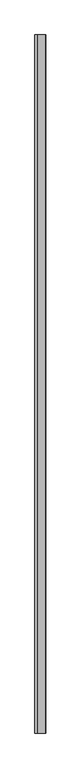
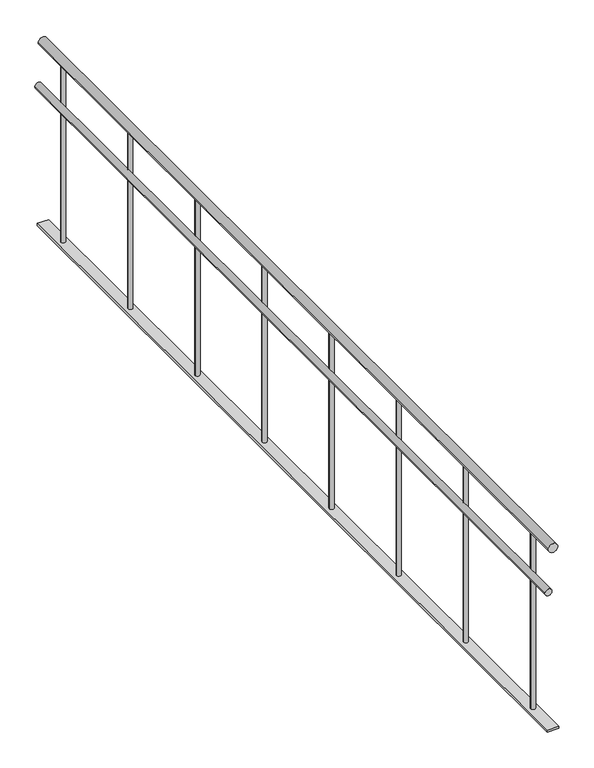
"""IFC4 building model written with IfcOpenShell, lengths in millimetres: railing geometry."""

from ifc_helpers import new_model, si_unit, point, frame, frame_2d, origin, place, context, project, spatial, polyline, circle_curve, trimmed, segment, composite_curve, outline, extrude, source, transform, mapped, element, save


def railing_75fd861b(model_context):
    return source(origin(), model_context, "Body", "SweptSolid", [
        extrude(outline(composite_curve([segment(trimmed(circle_curve(frame_2d((880.0, 28965.0112841)), 20.0), [point((880.0, 28985.0112841))], [point((880.0, 28945.0112841))], False, "CARTESIAN"), True, "CONTINUOUS"), segment(trimmed(circle_curve(frame_2d((880.0, 28965.0112841)), 20.0), [point((880.0, 28945.0112841))], [point((880.0, 28985.0112841))], False, "CARTESIAN"), True, "CONTINUOUS")], self_intersect=False)), frame((0.0, 893.1079487, 0.0), z_axis=(0.0, 1.0, 0.0), x_axis=(0.0, 0.0, 1.0)), (0.0, 0.0, 1.0), 3800.0),
        extrude(outline(composite_curve([segment(trimmed(circle_curve(frame_2d((685.0, 28945.0112841)), 15.0), [point((685.0, 28960.0112841))], [point((685.0, 28930.0112841))], False, "CARTESIAN"), True, "CONTINUOUS"), segment(trimmed(circle_curve(frame_2d((685.0, 28945.0112841)), 15.0), [point((685.0, 28930.0112841))], [point((685.0, 28960.0112841))], False, "CARTESIAN"), True, "CONTINUOUS")], self_intersect=False)), frame((0.0, 893.1079487, 0.0), z_axis=(0.0, 1.0, 0.0), x_axis=(0.0, 0.0, 1.0)), (0.0, 0.0, 1.0), 3800.0),
        extrude(outline(polyline([(28940.0112841, 4693.1079487), (28990.0112841, 4693.1079487), (28990.0112841, 893.1079487), (28940.0112841, 893.1079487), (28940.0112841, 4693.1079487)])), frame((0.0, 0.0, 50.0), z_axis=(0.0, 0.0, 1.0), x_axis=(1.0, 0.0, 0.0)), (0.0, 0.0, 1.0), 10.0),
        extrude(outline(composite_curve([segment(trimmed(circle_curve(frame_2d((28965.0112841, 1043.1079487)), 10.0), [point((28975.0112841, 1043.1079487))], [point((28955.0112841, 1043.1079487))], False, "CARTESIAN"), True, "CONTINUOUS"), segment(trimmed(circle_curve(frame_2d((28965.0112841, 1043.1079487)), 10.0), [point((28955.0112841, 1043.1079487))], [point((28975.0112841, 1043.1079487))], False, "CARTESIAN"), True, "CONTINUOUS")], self_intersect=False)), frame((0.0, 0.0, 60.0), z_axis=(0.0, 0.0, 1.0), x_axis=(1.0, 0.0, 0.0)), (0.0, 0.0, 1.0), 800.0),
        extrude(outline(composite_curve([segment(trimmed(circle_curve(frame_2d((28965.0112841, 1543.1079487)), 10.0), [point((28975.0112841, 1543.1079487))], [point((28955.0112841, 1543.1079487))], False, "CARTESIAN"), True, "CONTINUOUS"), segment(trimmed(circle_curve(frame_2d((28965.0112841, 1543.1079487)), 10.0), [point((28955.0112841, 1543.1079487))], [point((28975.0112841, 1543.1079487))], False, "CARTESIAN"), True, "CONTINUOUS")], self_intersect=False)), frame((0.0, 0.0, 60.0), z_axis=(0.0, 0.0, 1.0), x_axis=(1.0, 0.0, 0.0)), (0.0, 0.0, 1.0), 800.0),
        extrude(outline(composite_curve([segment(trimmed(circle_curve(frame_2d((28965.0112841, 2043.1079487)), 10.0), [point((28975.0112841, 2043.1079487))], [point((28955.0112841, 2043.1079487))], False, "CARTESIAN"), True, "CONTINUOUS"), segment(trimmed(circle_curve(frame_2d((28965.0112841, 2043.1079487)), 10.0), [point((28955.0112841, 2043.1079487))], [point((28975.0112841, 2043.1079487))], False, "CARTESIAN"), True, "CONTINUOUS")], self_intersect=False)), frame((0.0, 0.0, 60.0), z_axis=(0.0, 0.0, 1.0), x_axis=(1.0, 0.0, 0.0)), (0.0, 0.0, 1.0), 800.0),
        extrude(outline(composite_curve([segment(trimmed(circle_curve(frame_2d((28965.0112841, 2543.1079487)), 10.0), [point((28975.0112841, 2543.1079487))], [point((28955.0112841, 2543.1079487))], False, "CARTESIAN"), True, "CONTINUOUS"), segment(trimmed(circle_curve(frame_2d((28965.0112841, 2543.1079487)), 10.0), [point((28955.0112841, 2543.1079487))], [point((28975.0112841, 2543.1079487))], False, "CARTESIAN"), True, "CONTINUOUS")], self_intersect=False)), frame((0.0, 0.0, 60.0), z_axis=(0.0, 0.0, 1.0), x_axis=(1.0, 0.0, 0.0)), (0.0, 0.0, 1.0), 800.0),
        extrude(outline(composite_curve([segment(trimmed(circle_curve(frame_2d((28965.0112841, 3043.1079487)), 10.0), [point((28975.0112841, 3043.1079487))], [point((28955.0112841, 3043.1079487))], False, "CARTESIAN"), True, "CONTINUOUS"), segment(trimmed(circle_curve(frame_2d((28965.0112841, 3043.1079487)), 10.0), [point((28955.0112841, 3043.1079487))], [point((28975.0112841, 3043.1079487))], False, "CARTESIAN"), True, "CONTINUOUS")], self_intersect=False)), frame((0.0, 0.0, 60.0), z_axis=(0.0, 0.0, 1.0), x_axis=(1.0, 0.0, 0.0)), (0.0, 0.0, 1.0), 800.0),
        extrude(outline(composite_curve([segment(trimmed(circle_curve(frame_2d((28965.0112841, 3543.1079487)), 10.0), [point((28975.0112841, 3543.1079487))], [point((28955.0112841, 3543.1079487))], False, "CARTESIAN"), True, "CONTINUOUS"), segment(trimmed(circle_curve(frame_2d((28965.0112841, 3543.1079487)), 10.0), [point((28955.0112841, 3543.1079487))], [point((28975.0112841, 3543.1079487))], False, "CARTESIAN"), True, "CONTINUOUS")], self_intersect=False)), frame((0.0, 0.0, 60.0), z_axis=(0.0, 0.0, 1.0), x_axis=(1.0, 0.0, 0.0)), (0.0, 0.0, 1.0), 800.0),
        extrude(outline(composite_curve([segment(trimmed(circle_curve(frame_2d((28965.0112841, 4043.1079487)), 10.0), [point((28975.0112841, 4043.1079487))], [point((28955.0112841, 4043.1079487))], False, "CARTESIAN"), True, "CONTINUOUS"), segment(trimmed(circle_curve(frame_2d((28965.0112841, 4043.1079487)), 10.0), [point((28955.0112841, 4043.1079487))], [point((28975.0112841, 4043.1079487))], False, "CARTESIAN"), True, "CONTINUOUS")], self_intersect=False)), frame((0.0, 0.0, 60.0), z_axis=(0.0, 0.0, 1.0), x_axis=(1.0, 0.0, 0.0)), (0.0, 0.0, 1.0), 800.0),
        extrude(outline(composite_curve([segment(trimmed(circle_curve(frame_2d((28965.0112841, 4543.1079487)), 10.0), [point((28975.0112841, 4543.1079487))], [point((28955.0112841, 4543.1079487))], False, "CARTESIAN"), True, "CONTINUOUS"), segment(trimmed(circle_curve(frame_2d((28965.0112841, 4543.1079487)), 10.0), [point((28955.0112841, 4543.1079487))], [point((28975.0112841, 4543.1079487))], False, "CARTESIAN"), True, "CONTINUOUS")], self_intersect=False)), frame((0.0, 0.0, 60.0), z_axis=(0.0, 0.0, 1.0), x_axis=(1.0, 0.0, 0.0)), (0.0, 0.0, 1.0), 800.0),
    ])


if __name__ == "__main__":
    model = new_model("IFC4")
    model_context = context("Model", 3, world=origin())
    ifc_project = project(units=[si_unit("LENGTHUNIT", "METRE", prefix="MILLI")], contexts=[model_context])
    site = spatial("IfcSite", under=ifc_project)
    building = spatial("IfcBuilding", under=site)
    placement = place(None, origin())
    railing_shape = railing_75fd861b(model_context)
    element("IfcRailing", 1, at=placement, inside=building, context=model_context, shape_type="MappedRepresentation", body=[
        mapped(railing_shape, transform((0.0, 0.0, 0.0), x_axis=(1.0, 0.0, 0.0), y_axis=(0.0, 1.0, 0.0), z_axis=(0.0, 0.0, 1.0))),
    ])
    save(model, "model.ifc")
